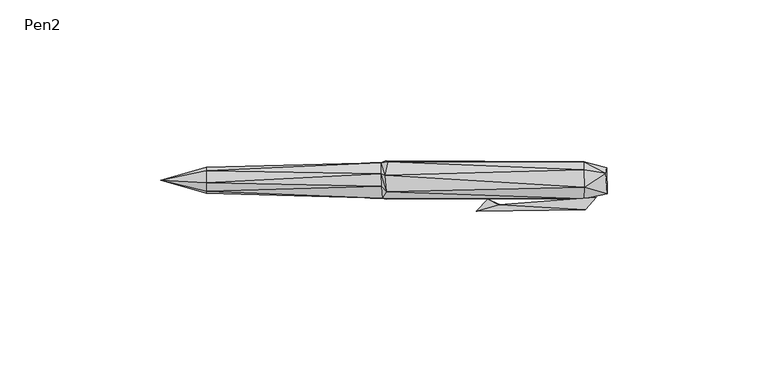
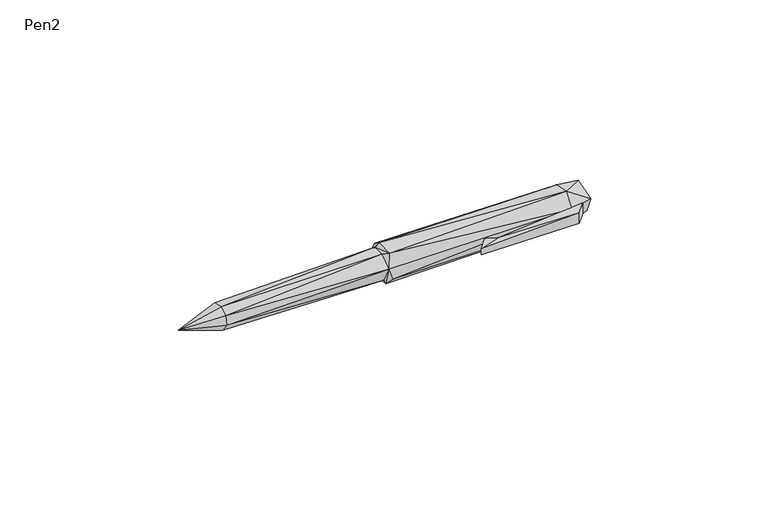
"""IFC4 building model written with IfcOpenShell, lengths in millimetres: furniture geometry, Pen2."""

from ifc_helpers import new_model, si_unit, origin, place, context, project, spatial, triangles, source, transform, mapped, element, save


def pen2_3eb62ff2(model_context):
    return source(origin(), model_context, "Body", "Tessellation", [
        triangles([(-69.5139528, 1.7602935, 6.2000003), (-55.3111633, 5.8603005, 6.2000008), (-55.3111633, 4.5603012, 2.8000006), (-55.3111633, 0.9602934, 10.2967995), (-55.3111633, 4.6602999, 9.3967999), (-55.3111633, -2.2397053, 5.3999991), (-55.3111633, -1.6397059, 8.5967994), (-55.3111633, 0.060295, 2.3), (-0.9513993, 3.7603049, 1.2000007), (-0.8513992, -1.4397019, 2.2999998), (-0.5513991, -3.8397028, 7.4967984), (0.3, -0.4397013, 0.0), (0.7000002, -4.1397018, 3.6999993), (0.5999997, 5.3603054, 0.7000009), (62.2111555, 2.6603087, 0.4000005), (62.3111584, -2.4396985, 1.9999994), (62.2111555, -3.9396995, 7.4967984), (68.9625602, -1.239698, 2.7999997), (69.5625599, -2.4396988, 7.7967982), (69.3625676, 5.6603081, 3.5000007), (-1.0513997, 7.160304, 6.5968005), (0.4999995, 7.8603039, 4.1000015), (62.2111555, 7.5603068, 7.4968001), (62.2111555, 6.5603077, 3.0000011), (1.1999994, 7.4603033, 9.5967991), (69.0625587, 3.9603068, 10.6967989), (-0.8513992, -0.1397036, 10.8967992), (-0.9513993, 3.7603034, 10.9967999), (0.7000001, -1.8397034, 11.7967988), (0.2999998, 3.3603032, 12.5967999), (62.3111584, -0.4397, 11.7967988), (62.2111555, 4.9603066, 10.9967999)], [[1, 2, 3], [1, 4, 5], [1, 5, 2], [1, 6, 7], [1, 8, 6], [1, 3, 8], [1, 7, 4], [8, 3, 9], [8, 9, 10], [8, 10, 6], [6, 11, 7], [6, 10, 11], [10, 9, 12], [10, 12, 11], [12, 13, 11], [12, 14, 15], [12, 9, 14], [12, 16, 13], [12, 15, 16], [13, 16, 17], [13, 17, 11], [16, 15, 18], [16, 18, 19], [16, 19, 17], [18, 15, 20], [18, 20, 19], [2, 5, 21], [2, 21, 3], [3, 21, 9], [9, 21, 14], [22, 23, 24], [22, 21, 25], [22, 14, 21], [22, 24, 14], [22, 25, 23], [14, 24, 15], [24, 20, 15], [24, 23, 20], [20, 26, 19], [20, 23, 26], [7, 11, 27], [7, 27, 4], [4, 27, 28], [4, 28, 5], [27, 11, 29], [27, 29, 28], [11, 17, 29], [29, 30, 28], [29, 31, 30], [29, 17, 31], [17, 19, 31], [31, 32, 30], [31, 26, 32], [31, 19, 26], [5, 28, 21], [21, 28, 30], [21, 30, 25], [30, 32, 25], [25, 32, 23], [23, 32, 26]]),
        triangles([(28.7902712, -7.8608159, 5.0250515), (62.7141907, -7.4608148, 4.3250514), (28.7902712, -7.8608159, 7.1216674), (32.3026635, -4.118234, 5.0250521), (36.2150565, -5.860816, 4.925052), (35.8150536, -5.8608165, 7.521668), (66.1265778, -3.6182319, 4.2250524), (66.1265778, -3.6182328, 8.2216684), (62.7141907, -7.4608154, 8.1216677), (32.3026635, -4.1182343, 7.4216678)], [[1, 2, 3], [1, 3, 4], [1, 5, 2], [1, 4, 5], [5, 4, 6], [5, 7, 2], [5, 6, 8], [5, 8, 7], [2, 7, 8], [2, 8, 9], [2, 9, 3], [4, 10, 6], [4, 3, 10], [3, 6, 10], [3, 9, 6], [6, 9, 8]]),
    ])


if __name__ == "__main__":
    model = new_model("IFC4")
    model_context = context("Model", 3, world=origin())
    ifc_project = project(units=[si_unit("LENGTHUNIT", "METRE", prefix="MILLI")], contexts=[model_context])
    site = spatial("IfcSite", under=ifc_project)
    building = spatial("IfcBuilding", under=site)
    placement = place(None, origin())
    pen2_shape = pen2_3eb62ff2(model_context)
    element("IfcFurniture", 1, ObjectType="Pen2", at=placement, inside=building, context=model_context, shape_type="MappedRepresentation", body=[
        mapped(pen2_shape, transform((0.0, 0.0, 0.0), x_axis=(1.0, 0.0, 0.0), y_axis=(0.0, 1.0, 0.0), z_axis=(0.0, 0.0, 1.0))),
    ])
    save(model, "model.ifc")
